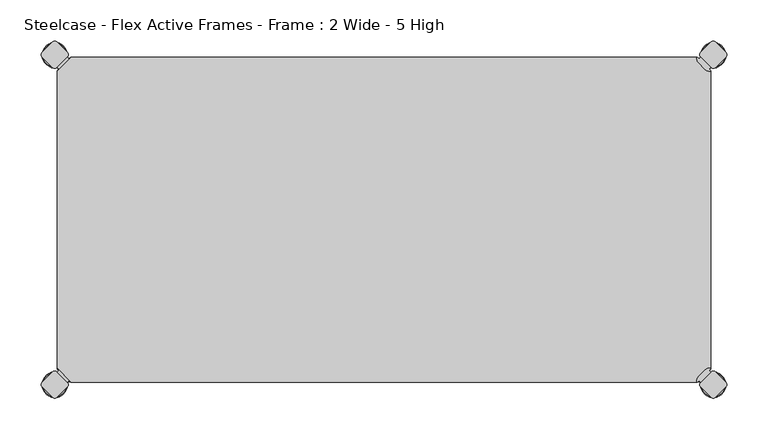
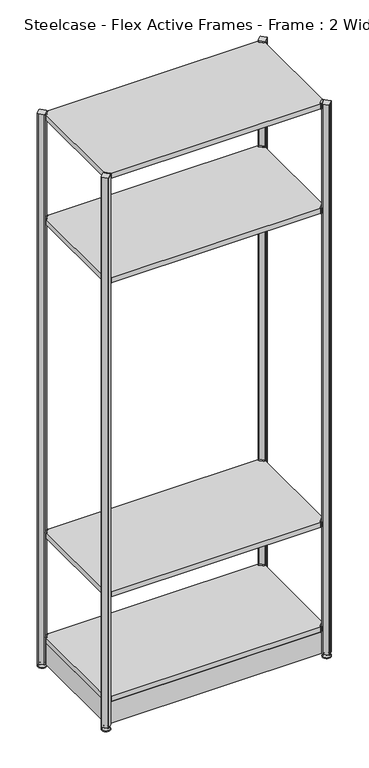
"""IFC4 building model written with IfcOpenShell, lengths in millimetres: furniture geometry, Steelcase - Flex Active Frames - Frame : 2 Wide - 5 High."""

from ifc_helpers import new_model, si_unit, point, frame, frame_2d, origin, place, context, project, spatial, polyline, circle_curve, ellipse_curve, trimmed, segment, composite_curve, outline, extrude, source, transform, mapped, element, save
from ifc_brep_helpers import plane_surface, cylinder_surface, revolved_surface, advanced_brep


def steelcase_flex_active_frames_frame_2_wide_5_high_faed2fa7(model_context):
    return source(origin(), model_context, "Body", "SolidModel", [
        advanced_brep(
        [(795.4995166, -396.9286835, 0.0), (809.4482375, -396.9286835, 0.0), (781.5507958, -396.9286835, 0.0), (810.3951451, -396.9286835, 2.116325), (780.6038882, -396.9286835, 2.116325), (804.2429012, -396.9286835, 8.9997406), (786.7561321, -396.9286835, 8.9997406), (802.9003852, -396.9286835, 8.9997406), (788.0986481, -396.9286835, 8.9997406), (802.9003852, -396.9286835, 12.0919909), (788.0986481, -396.9286835, 12.0919909), (802.3923852, -396.9286835, 12.5999909), (788.6066481, -396.9286835, 12.5999909), (799.518847, -396.9286835, 12.5999909), (791.4801863, -396.9286835, 12.5999909), (799.518847, -396.9286835, 22.7146261), (791.4801863, -396.9286835, 22.7146261), (795.4995166, -396.9286835, 22.7146261)],
        [
            (0, 1),
            (1, 2, circle_curve(frame((795.4995166, -396.9286835, 0.0), z_axis=(0.0, 0.0, -1.0), x_axis=(1.0, 0.0, 0.0)), 13.9487209)),
            (2, 0),
            (2, 1, circle_curve(frame((795.4995166, -396.9286835, 0.0), z_axis=(0.0, 0.0, -1.0), x_axis=(1.0, 0.0, 0.0)), 13.9487209)),
            (1, 3, circle_curve(frame((809.4482375, -396.9286835, 1.27), z_axis=(0.0, -1.0, 0.0), x_axis=(1.0, 0.0, 0.0)), 1.27)),
            (3, 4, circle_curve(frame((795.4995166, -396.9286835, 2.116325), z_axis=(0.0, 0.0, -1.0), x_axis=(1.0, 0.0, 0.0)), 14.8956285)),
            (4, 2, circle_curve(frame((781.5507958, -396.9286835, 1.27), z_axis=(0.0, -1.0, 0.0), x_axis=(-1.0, 0.0, 0.0)), 1.27)),
            (4, 3, circle_curve(frame((795.4995166, -396.9286835, 2.116325), z_axis=(0.0, 0.0, -1.0), x_axis=(1.0, 0.0, 0.0)), 14.8956285)),
            (3, 5),
            (5, 6, circle_curve(frame((795.4995166, -396.9286835, 8.9997406), z_axis=(0.0, 0.0, -1.0), x_axis=(1.0, 0.0, 0.0)), 8.7433846)),
            (6, 4),
            (6, 5, circle_curve(frame((795.4995166, -396.9286835, 8.9997406), z_axis=(0.0, 0.0, -1.0), x_axis=(1.0, 0.0, 0.0)), 8.7433846)),
            (5, 7),
            (7, 8, circle_curve(frame((795.4995166, -396.9286835, 8.9997406), z_axis=(0.0, 0.0, -1.0), x_axis=(1.0, 0.0, 0.0)), 7.4008685)),
            (8, 6),
            (8, 7, circle_curve(frame((795.4995166, -396.9286835, 8.9997406), z_axis=(0.0, 0.0, -1.0), x_axis=(1.0, 0.0, 0.0)), 7.4008685)),
            (7, 9),
            (9, 10, circle_curve(frame((795.4995166, -396.9286835, 12.0919909), z_axis=(0.0, 0.0, -1.0), x_axis=(1.0, 0.0, 0.0)), 7.4008685)),
            (10, 8),
            (10, 9, circle_curve(frame((795.4995166, -396.9286835, 12.0919909), z_axis=(0.0, 0.0, -1.0), x_axis=(1.0, 0.0, 0.0)), 7.4008685)),
            (9, 11, circle_curve(frame((802.3923852, -396.9286835, 12.0919909), z_axis=(0.0, -1.0, 0.0), x_axis=(1.0, 0.0, 0.0)), 0.508)),
            (11, 12, circle_curve(frame((795.4995166, -396.9286835, 12.5999909), z_axis=(0.0, 0.0, -1.0), x_axis=(1.0, 0.0, 0.0)), 6.8928685)),
            (12, 10, circle_curve(frame((788.6066481, -396.9286835, 12.0919909), z_axis=(0.0, -1.0, 0.0), x_axis=(-1.0, 0.0, 0.0)), 0.508)),
            (12, 11, circle_curve(frame((795.4995166, -396.9286835, 12.5999909), z_axis=(0.0, 0.0, -1.0), x_axis=(1.0, 0.0, 0.0)), 6.8928685)),
            (11, 13),
            (13, 14, circle_curve(frame((795.4995166, -396.9286835, 12.5999909), z_axis=(0.0, 0.0, -1.0), x_axis=(1.0, 0.0, 0.0)), 4.0193303)),
            (14, 12),
            (14, 13, circle_curve(frame((795.4995166, -396.9286835, 12.5999909), z_axis=(0.0, 0.0, -1.0), x_axis=(1.0, 0.0, 0.0)), 4.0193303)),
            (13, 15),
            (15, 16, circle_curve(frame((795.4995166, -396.9286835, 22.7146261), z_axis=(0.0, 0.0, -1.0), x_axis=(1.0, 0.0, 0.0)), 4.0193303)),
            (16, 14),
            (16, 15, circle_curve(frame((795.4995166, -396.9286835, 22.7146261), z_axis=(0.0, 0.0, -1.0), x_axis=(1.0, 0.0, 0.0)), 4.0193303)),
            (15, 17),
            (17, 16),
        ],
        [
            plane_surface(frame((795.4995166, -396.9286835, 0.0), z_axis=(0.0, 0.0, -1.0), x_axis=(1.0, 0.0, 0.0))),
            revolved_surface(trimmed(ellipse_curve(frame((809.4482375, -396.9286835, 1.27), z_axis=(0.0, 1.0, 0.0), x_axis=(1.0, 0.0, 0.0)), 1.27, 1.27), [point((810.3951451, -396.9286835, 2.116325))], [point((809.4482375, -396.9286835, 0.0))], True, "CARTESIAN"), (795.4995166, -396.9286835, 32.0514718), (0.0, 0.0, -1.0)),
            revolved_surface(polyline([(804.2429012, -396.9286835, 8.9997406), (810.3951451, -396.9286835, 2.116325)]), (795.4995166, -396.9286835, 32.0514718), (0.0, 0.0, -1.0)),
            plane_surface(frame((795.4995166, -396.9286835, 8.9997406), z_axis=(0.0, 0.0, 1.0), x_axis=(1.0, 0.0, 0.0))),
            cylinder_surface(frame((795.4995166, -396.9286835, 32.0514718), z_axis=(0.0, 0.0, -1.0), x_axis=(1.0, 0.0, 0.0)), 7.4008685),
            revolved_surface(trimmed(ellipse_curve(frame((802.3923852, -396.9286835, 12.0919909), z_axis=(0.0, 1.0, 0.0), x_axis=(1.0, 0.0, 0.0)), 0.508, 0.508), [point((802.3923852, -396.9286835, 12.5999909))], [point((802.9003852, -396.9286835, 12.0919909))], True, "CARTESIAN"), (795.4995166, -396.9286835, 32.0514718), (0.0, 0.0, -1.0)),
            plane_surface(frame((795.4995166, -396.9286835, 12.5999909), z_axis=(0.0, 0.0, 1.0), x_axis=(1.0, 0.0, 0.0))),
            cylinder_surface(frame((795.4995166, -396.9286835, 32.0514718), z_axis=(0.0, 0.0, -1.0), x_axis=(1.0, 0.0, 0.0)), 4.0193303),
            plane_surface(frame((795.4995166, -396.9286835, 22.7146261), z_axis=(0.0, 0.0, 1.0), x_axis=(1.0, 0.0, 0.0))),
        ],
        [
            (0, [[1, 2, 3]]),
            (0, [[-3, 4, -1]]),
            (1, [[-2, 5, 6, 7]]),
            (1, [[-4, -7, 8, -5]]),
            (2, [[-6, 9, 10, 11]]),
            (2, [[-8, -11, 12, -9]]),
            (3, [[-10, 13, 14, 15]]),
            (3, [[-12, -15, 16, -13]]),
            (4, [[-14, 17, 18, 19]]),
            (4, [[-16, -19, 20, -17]]),
            (5, [[-18, 21, 22, 23]]),
            (5, [[-20, -23, 24, -21]]),
            (6, [[-22, 25, 26, 27]]),
            (6, [[-24, -27, 28, -25]]),
            (7, [[-26, 29, 30, 31]]),
            (7, [[-28, -31, 32, -29]]),
            (8, [[-30, 33, 34]]),
            (8, [[-32, -34, -33]]),
        ],
    ),
        advanced_brep(
        [(795.4995166, 2.9246323, 0.0), (781.5507958, 2.9246323, 0.0), (809.4482375, 2.9246323, 0.0), (780.6038882, 2.9246323, 2.116325), (810.3951451, 2.9246323, 2.116325), (786.7561321, 2.9246323, 8.9997406), (804.2429012, 2.9246323, 8.9997406), (788.0986481, 2.9246323, 8.9997406), (802.9003852, 2.9246323, 8.9997406), (788.0986481, 2.9246323, 12.0919909), (802.9003852, 2.9246323, 12.0919909), (788.6066481, 2.9246323, 12.5999909), (802.3923852, 2.9246323, 12.5999909), (791.4801863, 2.9246323, 12.5999909), (799.518847, 2.9246323, 12.5999909), (791.4801863, 2.9246323, 22.7146261), (799.518847, 2.9246323, 22.7146261), (795.4995166, 2.9246323, 22.7146261)],
        [
            (0, 1),
            (1, 2, circle_curve(frame((795.4995166, 2.9246323, 0.0), z_axis=(0.0, 0.0, -1.0), x_axis=(1.0, 0.0, 0.0)), 13.9487209)),
            (2, 0),
            (2, 1, circle_curve(frame((795.4995166, 2.9246323, 0.0), z_axis=(0.0, 0.0, -1.0), x_axis=(1.0, 0.0, 0.0)), 13.9487209)),
            (1, 3, circle_curve(frame((781.5507958, 2.9246323, 1.27), z_axis=(0.0, 1.0, 0.0), x_axis=(-1.0, 0.0, 0.0)), 1.27)),
            (3, 4, circle_curve(frame((795.4995166, 2.9246323, 2.116325), z_axis=(0.0, 0.0, -1.0), x_axis=(1.0, 0.0, 0.0)), 14.8956285)),
            (4, 2, circle_curve(frame((809.4482375, 2.9246323, 1.27), z_axis=(0.0, 1.0, 0.0), x_axis=(1.0, 0.0, 0.0)), 1.27)),
            (4, 3, circle_curve(frame((795.4995166, 2.9246323, 2.116325), z_axis=(0.0, 0.0, -1.0), x_axis=(1.0, 0.0, 0.0)), 14.8956285)),
            (3, 5),
            (5, 6, circle_curve(frame((795.4995166, 2.9246323, 8.9997406), z_axis=(0.0, 0.0, -1.0), x_axis=(1.0, 0.0, 0.0)), 8.7433846)),
            (6, 4),
            (6, 5, circle_curve(frame((795.4995166, 2.9246323, 8.9997406), z_axis=(0.0, 0.0, -1.0), x_axis=(1.0, 0.0, 0.0)), 8.7433846)),
            (5, 7),
            (7, 8, circle_curve(frame((795.4995166, 2.9246323, 8.9997406), z_axis=(0.0, 0.0, -1.0), x_axis=(1.0, 0.0, 0.0)), 7.4008685)),
            (8, 6),
            (8, 7, circle_curve(frame((795.4995166, 2.9246323, 8.9997406), z_axis=(0.0, 0.0, -1.0), x_axis=(1.0, 0.0, 0.0)), 7.4008685)),
            (7, 9),
            (9, 10, circle_curve(frame((795.4995166, 2.9246323, 12.0919909), z_axis=(0.0, 0.0, -1.0), x_axis=(1.0, 0.0, 0.0)), 7.4008685)),
            (10, 8),
            (10, 9, circle_curve(frame((795.4995166, 2.9246323, 12.0919909), z_axis=(0.0, 0.0, -1.0), x_axis=(1.0, 0.0, 0.0)), 7.4008685)),
            (9, 11, circle_curve(frame((788.6066481, 2.9246323, 12.0919909), z_axis=(0.0, 1.0, 0.0), x_axis=(-1.0, 0.0, 0.0)), 0.508)),
            (11, 12, circle_curve(frame((795.4995166, 2.9246323, 12.5999909), z_axis=(0.0, 0.0, -1.0), x_axis=(1.0, 0.0, 0.0)), 6.8928685)),
            (12, 10, circle_curve(frame((802.3923852, 2.9246323, 12.0919909), z_axis=(0.0, 1.0, 0.0), x_axis=(1.0, 0.0, 0.0)), 0.508)),
            (12, 11, circle_curve(frame((795.4995166, 2.9246323, 12.5999909), z_axis=(0.0, 0.0, -1.0), x_axis=(1.0, 0.0, 0.0)), 6.8928685)),
            (11, 13),
            (13, 14, circle_curve(frame((795.4995166, 2.9246323, 12.5999909), z_axis=(0.0, 0.0, -1.0), x_axis=(1.0, 0.0, 0.0)), 4.0193303)),
            (14, 12),
            (14, 13, circle_curve(frame((795.4995166, 2.9246323, 12.5999909), z_axis=(0.0, 0.0, -1.0), x_axis=(1.0, 0.0, 0.0)), 4.0193303)),
            (13, 15),
            (15, 16, circle_curve(frame((795.4995166, 2.9246323, 22.7146261), z_axis=(0.0, 0.0, -1.0), x_axis=(1.0, 0.0, 0.0)), 4.0193303)),
            (16, 14),
            (16, 15, circle_curve(frame((795.4995166, 2.9246323, 22.7146261), z_axis=(0.0, 0.0, -1.0), x_axis=(1.0, 0.0, 0.0)), 4.0193303)),
            (15, 17),
            (17, 16),
        ],
        [
            plane_surface(frame((795.4995166, 2.9246323, 0.0), z_axis=(0.0, 0.0, -1.0), x_axis=(1.0, 0.0, 0.0))),
            revolved_surface(trimmed(ellipse_curve(frame((809.4482375, 2.9246323, 1.27), z_axis=(0.0, 1.0, 0.0), x_axis=(1.0, 0.0, 0.0)), 1.27, 1.27), [point((810.3951451, 2.9246323, 2.116325))], [point((809.4482375, 2.9246323, 0.0))], True, "CARTESIAN"), (795.4995166, 2.9246323, 32.0514718), (0.0, 0.0, -1.0)),
            revolved_surface(polyline([(804.2429012, 2.9246323, 8.9997406), (810.3951451, 2.9246323, 2.116325)]), (795.4995166, 2.9246323, 32.0514718), (0.0, 0.0, -1.0)),
            plane_surface(frame((795.4995166, 2.9246323, 8.9997406), z_axis=(0.0, 0.0, 1.0), x_axis=(1.0, 0.0, 0.0))),
            cylinder_surface(frame((795.4995166, 2.9246323, 32.0514718), z_axis=(0.0, 0.0, -1.0), x_axis=(1.0, 0.0, 0.0)), 7.4008685),
            revolved_surface(trimmed(ellipse_curve(frame((802.3923852, 2.9246323, 12.0919909), z_axis=(0.0, 1.0, 0.0), x_axis=(1.0, 0.0, 0.0)), 0.508, 0.508), [point((802.3923852, 2.9246323, 12.5999909))], [point((802.9003852, 2.9246323, 12.0919909))], True, "CARTESIAN"), (795.4995166, 2.9246323, 32.0514718), (0.0, 0.0, -1.0)),
            plane_surface(frame((795.4995166, 2.9246323, 12.5999909), z_axis=(0.0, 0.0, 1.0), x_axis=(1.0, 0.0, 0.0))),
            cylinder_surface(frame((795.4995166, 2.9246323, 32.0514718), z_axis=(0.0, 0.0, -1.0), x_axis=(1.0, 0.0, 0.0)), 4.0193303),
            plane_surface(frame((795.4995166, 2.9246323, 22.7146261), z_axis=(0.0, 0.0, 1.0), x_axis=(1.0, 0.0, 0.0))),
        ],
        [
            (0, [[1, 2, 3]]),
            (0, [[-3, 4, -1]]),
            (1, [[5, 6, 7, -2]]),
            (1, [[-7, 8, -5, -4]]),
            (2, [[9, 10, 11, -6]]),
            (2, [[-11, 12, -9, -8]]),
            (3, [[13, 14, 15, -10]]),
            (3, [[-15, 16, -13, -12]]),
            (4, [[17, 18, 19, -14]]),
            (4, [[-19, 20, -17, -16]]),
            (5, [[21, 22, 23, -18]]),
            (5, [[-23, 24, -21, -20]]),
            (6, [[25, 26, 27, -22]]),
            (6, [[-27, 28, -25, -24]]),
            (7, [[29, 30, 31, -26]]),
            (7, [[-31, 32, -29, -28]]),
            (8, [[33, 34, -30]]),
            (8, [[-34, -33, -32]]),
        ],
    ),
        advanced_brep(
        [(-3.0195166, -396.8786323, 0.0), (10.9292042, -396.8786323, 0.0), (-16.9682375, -396.8786323, 0.0), (11.8761118, -396.8786323, 2.116325), (-17.9151451, -396.8786323, 2.116325), (5.7238679, -396.8786323, 8.9997406), (-11.7629012, -396.8786323, 8.9997406), (4.3813519, -396.8786323, 8.9997406), (-10.4203852, -396.8786323, 8.9997406), (4.3813519, -396.8786323, 12.0919909), (-10.4203852, -396.8786323, 12.0919909), (3.8733519, -396.8786323, 12.5999909), (-9.9123852, -396.8786323, 12.5999909), (0.9998137, -396.8786323, 12.5999909), (-7.038847, -396.8786323, 12.5999909), (0.9998137, -396.8786323, 22.7146261), (-7.038847, -396.8786323, 22.7146261), (-3.0195166, -396.8786323, 22.7146261)],
        [
            (0, 1),
            (1, 2, circle_curve(frame((-3.0195166, -396.8786323, 0.0), z_axis=(0.0, 0.0, -1.0), x_axis=(-1.0, 0.0, 0.0)), 13.9487209)),
            (2, 0),
            (2, 1, circle_curve(frame((-3.0195166, -396.8786323, 0.0), z_axis=(0.0, 0.0, -1.0), x_axis=(-1.0, 0.0, 0.0)), 13.9487209)),
            (1, 3, circle_curve(frame((10.9292042, -396.8786323, 1.27), z_axis=(0.0, -1.0, 0.0), x_axis=(1.0, 0.0, 0.0)), 1.27)),
            (3, 4, circle_curve(frame((-3.0195166, -396.8786323, 2.116325), z_axis=(0.0, 0.0, -1.0), x_axis=(-1.0, 0.0, 0.0)), 14.8956285)),
            (4, 2, circle_curve(frame((-16.9682375, -396.8786323, 1.27), z_axis=(0.0, -1.0, 0.0), x_axis=(-1.0, 0.0, 0.0)), 1.27)),
            (4, 3, circle_curve(frame((-3.0195166, -396.8786323, 2.116325), z_axis=(0.0, 0.0, -1.0), x_axis=(-1.0, 0.0, 0.0)), 14.8956285)),
            (3, 5),
            (5, 6, circle_curve(frame((-3.0195166, -396.8786323, 8.9997406), z_axis=(0.0, 0.0, -1.0), x_axis=(-1.0, 0.0, 0.0)), 8.7433846)),
            (6, 4),
            (6, 5, circle_curve(frame((-3.0195166, -396.8786323, 8.9997406), z_axis=(0.0, 0.0, -1.0), x_axis=(-1.0, 0.0, 0.0)), 8.7433846)),
            (5, 7),
            (7, 8, circle_curve(frame((-3.0195166, -396.8786323, 8.9997406), z_axis=(0.0, 0.0, -1.0), x_axis=(-1.0, 0.0, 0.0)), 7.4008685)),
            (8, 6),
            (8, 7, circle_curve(frame((-3.0195166, -396.8786323, 8.9997406), z_axis=(0.0, 0.0, -1.0), x_axis=(-1.0, 0.0, 0.0)), 7.4008685)),
            (7, 9),
            (9, 10, circle_curve(frame((-3.0195166, -396.8786323, 12.0919909), z_axis=(0.0, 0.0, -1.0), x_axis=(-1.0, 0.0, 0.0)), 7.4008685)),
            (10, 8),
            (10, 9, circle_curve(frame((-3.0195166, -396.8786323, 12.0919909), z_axis=(0.0, 0.0, -1.0), x_axis=(-1.0, 0.0, 0.0)), 7.4008685)),
            (9, 11, circle_curve(frame((3.8733519, -396.8786323, 12.0919909), z_axis=(0.0, -1.0, 0.0), x_axis=(1.0, 0.0, 0.0)), 0.508)),
            (11, 12, circle_curve(frame((-3.0195166, -396.8786323, 12.5999909), z_axis=(0.0, 0.0, -1.0), x_axis=(-1.0, 0.0, 0.0)), 6.8928685)),
            (12, 10, circle_curve(frame((-9.9123852, -396.8786323, 12.0919909), z_axis=(0.0, -1.0, 0.0), x_axis=(-1.0, 0.0, 0.0)), 0.508)),
            (12, 11, circle_curve(frame((-3.0195166, -396.8786323, 12.5999909), z_axis=(0.0, 0.0, -1.0), x_axis=(-1.0, 0.0, 0.0)), 6.8928685)),
            (11, 13),
            (13, 14, circle_curve(frame((-3.0195166, -396.8786323, 12.5999909), z_axis=(0.0, 0.0, -1.0), x_axis=(-1.0, 0.0, 0.0)), 4.0193303)),
            (14, 12),
            (14, 13, circle_curve(frame((-3.0195166, -396.8786323, 12.5999909), z_axis=(0.0, 0.0, -1.0), x_axis=(-1.0, 0.0, 0.0)), 4.0193303)),
            (13, 15),
            (15, 16, circle_curve(frame((-3.0195166, -396.8786323, 22.7146261), z_axis=(0.0, 0.0, -1.0), x_axis=(-1.0, 0.0, 0.0)), 4.0193303)),
            (16, 14),
            (16, 15, circle_curve(frame((-3.0195166, -396.8786323, 22.7146261), z_axis=(0.0, 0.0, -1.0), x_axis=(-1.0, 0.0, 0.0)), 4.0193303)),
            (15, 17),
            (17, 16),
        ],
        [
            plane_surface(frame((-3.0195166, -396.8786323, 0.0), z_axis=(0.0, 0.0, -1.0), x_axis=(-1.0, 0.0, 0.0))),
            revolved_surface(trimmed(ellipse_curve(frame((-16.9682375, -396.8786323, 1.27), z_axis=(0.0, -1.0, 0.0), x_axis=(-1.0, 0.0, 0.0)), 1.27, 1.27), [point((-17.9151451, -396.8786323, 2.116325))], [point((-16.9682375, -396.8786323, 0.0))], True, "CARTESIAN"), (-3.0195166, -396.8786323, 32.0514718), (0.0, 0.0, -1.0)),
            revolved_surface(polyline([(-11.7629012, -396.8786323, 8.9997406), (-17.9151451, -396.8786323, 2.116325)]), (-3.0195166, -396.8786323, 32.0514718), (0.0, 0.0, -1.0)),
            plane_surface(frame((-3.0195166, -396.8786323, 8.9997406), z_axis=(0.0, 0.0, 1.0), x_axis=(-1.0, 0.0, 0.0))),
            cylinder_surface(frame((-3.0195166, -396.8786323, 32.0514718), z_axis=(0.0, 0.0, -1.0), x_axis=(-1.0, 0.0, 0.0)), 7.4008685),
            revolved_surface(trimmed(ellipse_curve(frame((-9.9123852, -396.8786323, 12.0919909), z_axis=(0.0, -1.0, 0.0), x_axis=(-1.0, 0.0, 0.0)), 0.508, 0.508), [point((-9.9123852, -396.8786323, 12.5999909))], [point((-10.4203852, -396.8786323, 12.0919909))], True, "CARTESIAN"), (-3.0195166, -396.8786323, 32.0514718), (0.0, 0.0, -1.0)),
            plane_surface(frame((-3.0195166, -396.8786323, 12.5999909), z_axis=(0.0, 0.0, 1.0), x_axis=(-1.0, 0.0, 0.0))),
            cylinder_surface(frame((-3.0195166, -396.8786323, 32.0514718), z_axis=(0.0, 0.0, -1.0), x_axis=(-1.0, 0.0, 0.0)), 4.0193303),
            plane_surface(frame((-3.0195166, -396.8786323, 22.7146261), z_axis=(0.0, 0.0, 1.0), x_axis=(-1.0, 0.0, 0.0))),
        ],
        [
            (0, [[1, 2, 3]]),
            (0, [[-3, 4, -1]]),
            (1, [[5, 6, 7, -2]]),
            (1, [[-7, 8, -5, -4]]),
            (2, [[9, 10, 11, -6]]),
            (2, [[-11, 12, -9, -8]]),
            (3, [[13, 14, 15, -10]]),
            (3, [[-15, 16, -13, -12]]),
            (4, [[17, 18, 19, -14]]),
            (4, [[-19, 20, -17, -16]]),
            (5, [[21, 22, 23, -18]]),
            (5, [[-23, 24, -21, -20]]),
            (6, [[25, 26, 27, -22]]),
            (6, [[-27, 28, -25, -24]]),
            (7, [[29, 30, 31, -26]]),
            (7, [[-31, 32, -29, -28]]),
            (8, [[33, 34, -30]]),
            (8, [[-34, -33, -32]]),
        ],
    ),
        advanced_brep(
        [(-3.0195166, 2.9246323, 0.0), (-16.9682375, 2.9246323, 0.0), (10.9292042, 2.9246323, 0.0), (-17.9151451, 2.9246323, 2.116325), (11.8761118, 2.9246323, 2.116325), (-11.7629012, 2.9246323, 8.9997406), (5.7238679, 2.9246323, 8.9997406), (-10.4203852, 2.9246323, 8.9997406), (4.3813519, 2.9246323, 8.9997406), (-10.4203852, 2.9246323, 12.0919909), (4.3813519, 2.9246323, 12.0919909), (-9.9123852, 2.9246323, 12.5999909), (3.8733519, 2.9246323, 12.5999909), (-7.038847, 2.9246323, 12.5999909), (0.9998137, 2.9246323, 12.5999909), (-7.038847, 2.9246323, 22.7146261), (0.9998137, 2.9246323, 22.7146261), (-3.0195166, 2.9246323, 22.7146261)],
        [
            (0, 1),
            (1, 2, circle_curve(frame((-3.0195166, 2.9246323, 0.0), z_axis=(0.0, 0.0, -1.0), x_axis=(-1.0, 0.0, 0.0)), 13.9487209)),
            (2, 0),
            (2, 1, circle_curve(frame((-3.0195166, 2.9246323, 0.0), z_axis=(0.0, 0.0, -1.0), x_axis=(-1.0, 0.0, 0.0)), 13.9487209)),
            (1, 3, circle_curve(frame((-16.9682375, 2.9246323, 1.27), z_axis=(0.0, 1.0, 0.0), x_axis=(-1.0, 0.0, 0.0)), 1.27)),
            (3, 4, circle_curve(frame((-3.0195166, 2.9246323, 2.116325), z_axis=(0.0, 0.0, -1.0), x_axis=(-1.0, 0.0, 0.0)), 14.8956285)),
            (4, 2, circle_curve(frame((10.9292042, 2.9246323, 1.27), z_axis=(0.0, 1.0, 0.0), x_axis=(1.0, 0.0, 0.0)), 1.27)),
            (4, 3, circle_curve(frame((-3.0195166, 2.9246323, 2.116325), z_axis=(0.0, 0.0, -1.0), x_axis=(-1.0, 0.0, 0.0)), 14.8956285)),
            (3, 5),
            (5, 6, circle_curve(frame((-3.0195166, 2.9246323, 8.9997406), z_axis=(0.0, 0.0, -1.0), x_axis=(-1.0, 0.0, 0.0)), 8.7433846)),
            (6, 4),
            (6, 5, circle_curve(frame((-3.0195166, 2.9246323, 8.9997406), z_axis=(0.0, 0.0, -1.0), x_axis=(-1.0, 0.0, 0.0)), 8.7433846)),
            (5, 7),
            (7, 8, circle_curve(frame((-3.0195166, 2.9246323, 8.9997406), z_axis=(0.0, 0.0, -1.0), x_axis=(-1.0, 0.0, 0.0)), 7.4008685)),
            (8, 6),
            (8, 7, circle_curve(frame((-3.0195166, 2.9246323, 8.9997406), z_axis=(0.0, 0.0, -1.0), x_axis=(-1.0, 0.0, 0.0)), 7.4008685)),
            (7, 9),
            (9, 10, circle_curve(frame((-3.0195166, 2.9246323, 12.0919909), z_axis=(0.0, 0.0, -1.0), x_axis=(-1.0, 0.0, 0.0)), 7.4008685)),
            (10, 8),
            (10, 9, circle_curve(frame((-3.0195166, 2.9246323, 12.0919909), z_axis=(0.0, 0.0, -1.0), x_axis=(-1.0, 0.0, 0.0)), 7.4008685)),
            (9, 11, circle_curve(frame((-9.9123852, 2.9246323, 12.0919909), z_axis=(0.0, 1.0, 0.0), x_axis=(-1.0, 0.0, 0.0)), 0.508)),
            (11, 12, circle_curve(frame((-3.0195166, 2.9246323, 12.5999909), z_axis=(0.0, 0.0, -1.0), x_axis=(-1.0, 0.0, 0.0)), 6.8928685)),
            (12, 10, circle_curve(frame((3.8733519, 2.9246323, 12.0919909), z_axis=(0.0, 1.0, 0.0), x_axis=(1.0, 0.0, 0.0)), 0.508)),
            (12, 11, circle_curve(frame((-3.0195166, 2.9246323, 12.5999909), z_axis=(0.0, 0.0, -1.0), x_axis=(-1.0, 0.0, 0.0)), 6.8928685)),
            (11, 13),
            (13, 14, circle_curve(frame((-3.0195166, 2.9246323, 12.5999909), z_axis=(0.0, 0.0, -1.0), x_axis=(-1.0, 0.0, 0.0)), 4.0193303)),
            (14, 12),
            (14, 13, circle_curve(frame((-3.0195166, 2.9246323, 12.5999909), z_axis=(0.0, 0.0, -1.0), x_axis=(-1.0, 0.0, 0.0)), 4.0193303)),
            (13, 15),
            (15, 16, circle_curve(frame((-3.0195166, 2.9246323, 22.7146261), z_axis=(0.0, 0.0, -1.0), x_axis=(-1.0, 0.0, 0.0)), 4.0193303)),
            (16, 14),
            (16, 15, circle_curve(frame((-3.0195166, 2.9246323, 22.7146261), z_axis=(0.0, 0.0, -1.0), x_axis=(-1.0, 0.0, 0.0)), 4.0193303)),
            (15, 17),
            (17, 16),
        ],
        [
            plane_surface(frame((-3.0195166, 2.9246323, 0.0), z_axis=(0.0, 0.0, -1.0), x_axis=(-1.0, 0.0, 0.0))),
            revolved_surface(trimmed(ellipse_curve(frame((-16.9682375, 2.9246323, 1.27), z_axis=(0.0, -1.0, 0.0), x_axis=(-1.0, 0.0, 0.0)), 1.27, 1.27), [point((-17.9151451, 2.9246323, 2.116325))], [point((-16.9682375, 2.9246323, 0.0))], True, "CARTESIAN"), (-3.0195166, 2.9246323, 32.0514718), (0.0, 0.0, -1.0)),
            revolved_surface(polyline([(-11.7629012, 2.9246323, 8.9997406), (-17.9151451, 2.9246323, 2.116325)]), (-3.0195166, 2.9246323, 32.0514718), (0.0, 0.0, -1.0)),
            plane_surface(frame((-3.0195166, 2.9246323, 8.9997406), z_axis=(0.0, 0.0, 1.0), x_axis=(-1.0, 0.0, 0.0))),
            cylinder_surface(frame((-3.0195166, 2.9246323, 32.0514718), z_axis=(0.0, 0.0, -1.0), x_axis=(-1.0, 0.0, 0.0)), 7.4008685),
            revolved_surface(trimmed(ellipse_curve(frame((-9.9123852, 2.9246323, 12.0919909), z_axis=(0.0, -1.0, 0.0), x_axis=(-1.0, 0.0, 0.0)), 0.508, 0.508), [point((-9.9123852, 2.9246323, 12.5999909))], [point((-10.4203852, 2.9246323, 12.0919909))], True, "CARTESIAN"), (-3.0195166, 2.9246323, 32.0514718), (0.0, 0.0, -1.0)),
            plane_surface(frame((-3.0195166, 2.9246323, 12.5999909), z_axis=(0.0, 0.0, 1.0), x_axis=(-1.0, 0.0, 0.0))),
            cylinder_surface(frame((-3.0195166, 2.9246323, 32.0514718), z_axis=(0.0, 0.0, -1.0), x_axis=(-1.0, 0.0, 0.0)), 4.0193303),
            plane_surface(frame((-3.0195166, 2.9246323, 22.7146261), z_axis=(0.0, 0.0, 1.0), x_axis=(-1.0, 0.0, 0.0))),
        ],
        [
            (0, [[1, 2, 3]]),
            (0, [[-3, 4, -1]]),
            (1, [[-2, 5, 6, 7]]),
            (1, [[-4, -7, 8, -5]]),
            (2, [[-6, 9, 10, 11]]),
            (2, [[-8, -11, 12, -9]]),
            (3, [[-10, 13, 14, 15]]),
            (3, [[-12, -15, 16, -13]]),
            (4, [[-14, 17, 18, 19]]),
            (4, [[-16, -19, 20, -17]]),
            (5, [[-18, 21, 22, 23]]),
            (5, [[-20, -23, 24, -21]]),
            (6, [[-22, 25, 26, 27]]),
            (6, [[-24, -27, 28, -25]]),
            (7, [[-26, 29, 30, 31]]),
            (7, [[-28, -31, 32, -29]]),
            (8, [[-30, 33, 34]]),
            (8, [[-32, -34, -33]]),
        ],
    ),
        extrude(outline(composite_curve([segment(polyline([(778.3364357, -1.93874), (780.4244011, 0.1493247), (792.6187028, -12.044977), (790.530772, -14.1329326), (792.5017057, -16.1038431), (792.4895198, -17.203916), (789.7543812, -16.8384277)]), True, "CONTINUOUS"), segment(trimmed(circle_curve(frame_2d((790.5954366, -10.5443729)), 6.35), [point((789.7543812, -16.8384277))], [point((786.1052784, -15.0344708))], False, "CARTESIAN"), True, "CONTINUOUS"), segment(polyline([(786.1052784, -15.0344708), (777.4359854, -6.3650612)]), True, "CONTINUOUS"), segment(trimmed(circle_curve(frame_2d((781.9261436, -1.8749633)), 6.35), [point((777.4359854, -6.3650612))], [point((775.6321123, -2.7161946))], False, "CARTESIAN"), True, "CONTINUOUS"), segment(polyline([(775.6321123, -2.7161946), (775.26654, 0.0189911), (776.3664729, 0.0311996), (778.3364357, -1.93874)]), True, "CONTINUOUS")], self_intersect=False)), frame((0.0, 0.0, 2096.4822075), z_axis=(0.0, 0.0, 1.0), x_axis=(1.0, 0.0, 0.0)), (0.0, 0.0, 1.0), 20.2281258),
        extrude(outline(composite_curve([segment(polyline([(778.3364357, -392.01526), (776.3664729, -393.9851996), (775.26654, -393.9729911), (775.6321123, -391.2378054)]), True, "CONTINUOUS"), segment(trimmed(circle_curve(frame_2d((781.9261436, -392.0790367)), 6.35), [point((775.6321123, -391.2378054))], [point((777.4359854, -387.5889388))], False, "CARTESIAN"), True, "CONTINUOUS"), segment(polyline([(777.4359854, -387.5889388), (786.1052784, -378.9195292)]), True, "CONTINUOUS"), segment(trimmed(circle_curve(frame_2d((790.5954366, -383.4096271)), 6.35), [point((786.1052784, -378.9195292))], [point((789.7543812, -377.1155723))], False, "CARTESIAN"), True, "CONTINUOUS"), segment(polyline([(789.7543812, -377.1155723), (792.4895198, -376.750084), (792.5017057, -377.8501569), (790.530772, -379.8210674), (792.6187028, -381.909023), (780.4244011, -394.1033247), (778.3364357, -392.01526)]), True, "CONTINUOUS")], self_intersect=False)), frame((0.0, 0.0, 2096.4822075), z_axis=(0.0, 0.0, 1.0), x_axis=(1.0, 0.0, 0.0)), (0.0, 0.0, 1.0), 20.2281258),
        extrude(outline(polyline([(0.0003876, -376.7599914), (0.0003876, -17.1940086), (17.1943962, 0.0), (775.2856038, 0.0), (792.4796124, -17.1940086), (792.4796124, -376.7599914), (775.2856038, -393.954), (17.1943962, -393.954), (0.0003876, -376.7599914)])), frame((0.0, 0.0, 2097.4996841), z_axis=(0.0, 0.0, 1.0), x_axis=(1.0, 0.0, 0.0)), (0.0, 0.0, 1.0), 19.0000031),
        extrude(outline(composite_curve([segment(polyline([(14.1435643, -1.93874), (16.1135271, 0.0311996), (17.21346, 0.0189911), (16.8478877, -2.7161946)]), True, "CONTINUOUS"), segment(trimmed(circle_curve(frame_2d((10.5538564, -1.8749633)), 6.35), [point((16.8478877, -2.7161946))], [point((15.0440146, -6.3650612))], False, "CARTESIAN"), True, "CONTINUOUS"), segment(polyline([(15.0440146, -6.3650612), (6.3747216, -15.0344708)]), True, "CONTINUOUS"), segment(trimmed(circle_curve(frame_2d((1.8845634, -10.5443729)), 6.35), [point((6.3747216, -15.0344708))], [point((2.7256188, -16.8384277))], False, "CARTESIAN"), True, "CONTINUOUS"), segment(polyline([(2.7256188, -16.8384277), (-0.0095198, -17.203916), (-0.0217057, -16.1038431), (1.949228, -14.1329326), (-0.1387028, -12.044977), (12.0555989, 0.1493247), (14.1435643, -1.93874)]), True, "CONTINUOUS")], self_intersect=False)), frame((0.0, 0.0, 2096.4822075), z_axis=(0.0, 0.0, 1.0), x_axis=(1.0, 0.0, 0.0)), (0.0, 0.0, 1.0), 20.2281258),
        extrude(outline(composite_curve([segment(polyline([(14.1435643, -392.01526), (12.0555989, -394.1033247), (-0.1387028, -381.909023), (1.949228, -379.8210674), (-0.0217057, -377.8501569), (-0.0095198, -376.750084), (2.7256188, -377.1155723)]), True, "CONTINUOUS"), segment(trimmed(circle_curve(frame_2d((1.8845634, -383.4096271)), 6.35), [point((2.7256188, -377.1155723))], [point((6.3747216, -378.9195292))], False, "CARTESIAN"), True, "CONTINUOUS"), segment(polyline([(6.3747216, -378.9195292), (15.0440146, -387.5889388)]), True, "CONTINUOUS"), segment(trimmed(circle_curve(frame_2d((10.5538564, -392.0790367)), 6.35), [point((15.0440146, -387.5889388))], [point((16.8478877, -391.2378054))], False, "CARTESIAN"), True, "CONTINUOUS"), segment(polyline([(16.8478877, -391.2378054), (17.21346, -393.9729911), (16.1135271, -393.9851996), (14.1435643, -392.01526)]), True, "CONTINUOUS")], self_intersect=False)), frame((0.0, 0.0, 2096.4822075), z_axis=(0.0, 0.0, 1.0), x_axis=(1.0, 0.0, 0.0)), (0.0, 0.0, 1.0), 20.2281258),
        extrude(outline(composite_curve([segment(polyline([(778.3364357, -1.93874), (780.4244011, 0.1493247), (792.6187028, -12.044977), (790.530772, -14.1329326), (792.5017057, -16.1038431), (792.4895198, -17.203916), (789.7543812, -16.8384277)]), True, "CONTINUOUS"), segment(trimmed(circle_curve(frame_2d((790.5954366, -10.5443729)), 6.35), [point((789.7543812, -16.8384277))], [point((786.1052784, -15.0344708))], False, "CARTESIAN"), True, "CONTINUOUS"), segment(polyline([(786.1052784, -15.0344708), (777.4359854, -6.3650612)]), True, "CONTINUOUS"), segment(trimmed(circle_curve(frame_2d((781.9261436, -1.8749633)), 6.35), [point((777.4359854, -6.3650612))], [point((775.6321123, -2.7161946))], False, "CARTESIAN"), True, "CONTINUOUS"), segment(polyline([(775.6321123, -2.7161946), (775.26654, 0.0189911), (776.3664729, 0.0311996), (778.3364357, -1.93874)]), True, "CONTINUOUS")], self_intersect=False)), frame((0.0, 0.0, 1696.4822044), z_axis=(0.0, 0.0, 1.0), x_axis=(1.0, 0.0, 0.0)), (0.0, 0.0, 1.0), 20.2281258),
        extrude(outline(composite_curve([segment(polyline([(778.3364357, -392.01526), (776.3664729, -393.9851996), (775.26654, -393.9729911), (775.6321123, -391.2378054)]), True, "CONTINUOUS"), segment(trimmed(circle_curve(frame_2d((781.9261436, -392.0790367)), 6.35), [point((775.6321123, -391.2378054))], [point((777.4359854, -387.5889388))], False, "CARTESIAN"), True, "CONTINUOUS"), segment(polyline([(777.4359854, -387.5889388), (786.1052784, -378.9195292)]), True, "CONTINUOUS"), segment(trimmed(circle_curve(frame_2d((790.5954366, -383.4096271)), 6.35), [point((786.1052784, -378.9195292))], [point((789.7543812, -377.1155723))], False, "CARTESIAN"), True, "CONTINUOUS"), segment(polyline([(789.7543812, -377.1155723), (792.4895198, -376.750084), (792.5017057, -377.8501569), (790.530772, -379.8210674), (792.6187028, -381.909023), (780.4244011, -394.1033247), (778.3364357, -392.01526)]), True, "CONTINUOUS")], self_intersect=False)), frame((0.0, 0.0, 1696.4822044), z_axis=(0.0, 0.0, 1.0), x_axis=(1.0, 0.0, 0.0)), (0.0, 0.0, 1.0), 20.2281258),
        extrude(outline(polyline([(0.0003876, -376.7599914), (0.0003876, -17.1940086), (17.1943962, 0.0), (775.2856038, 0.0), (792.4796124, -17.1940086), (792.4796124, -376.7599914), (775.2856038, -393.954), (17.1943962, -393.954), (0.0003876, -376.7599914)])), frame((0.0, 0.0, 1697.4996811), z_axis=(0.0, 0.0, 1.0), x_axis=(1.0, 0.0, 0.0)), (0.0, 0.0, 1.0), 19.0000031),
        extrude(outline(composite_curve([segment(polyline([(14.1435643, -1.93874), (16.1135271, 0.0311996), (17.21346, 0.0189911), (16.8478877, -2.7161946)]), True, "CONTINUOUS"), segment(trimmed(circle_curve(frame_2d((10.5538564, -1.8749633)), 6.35), [point((16.8478877, -2.7161946))], [point((15.0440146, -6.3650612))], False, "CARTESIAN"), True, "CONTINUOUS"), segment(polyline([(15.0440146, -6.3650612), (6.3747216, -15.0344708)]), True, "CONTINUOUS"), segment(trimmed(circle_curve(frame_2d((1.8845634, -10.5443729)), 6.35), [point((6.3747216, -15.0344708))], [point((2.7256188, -16.8384277))], False, "CARTESIAN"), True, "CONTINUOUS"), segment(polyline([(2.7256188, -16.8384277), (-0.0095198, -17.203916), (-0.0217057, -16.1038431), (1.949228, -14.1329326), (-0.1387028, -12.044977), (12.0555989, 0.1493247), (14.1435643, -1.93874)]), True, "CONTINUOUS")], self_intersect=False)), frame((0.0, 0.0, 1696.4822044), z_axis=(0.0, 0.0, 1.0), x_axis=(1.0, 0.0, 0.0)), (0.0, 0.0, 1.0), 20.2281258),
        extrude(outline(composite_curve([segment(polyline([(14.1435643, -392.01526), (12.0555989, -394.1033247), (-0.1387028, -381.909023), (1.949228, -379.8210674), (-0.0217057, -377.8501569), (-0.0095198, -376.750084), (2.7256188, -377.1155723)]), True, "CONTINUOUS"), segment(trimmed(circle_curve(frame_2d((1.8845634, -383.4096271)), 6.35), [point((2.7256188, -377.1155723))], [point((6.3747216, -378.9195292))], False, "CARTESIAN"), True, "CONTINUOUS"), segment(polyline([(6.3747216, -378.9195292), (15.0440146, -387.5889388)]), True, "CONTINUOUS"), segment(trimmed(circle_curve(frame_2d((10.5538564, -392.0790367)), 6.35), [point((15.0440146, -387.5889388))], [point((16.8478877, -391.2378054))], False, "CARTESIAN"), True, "CONTINUOUS"), segment(polyline([(16.8478877, -391.2378054), (17.21346, -393.9729911), (16.1135271, -393.9851996), (14.1435643, -392.01526)]), True, "CONTINUOUS")], self_intersect=False)), frame((0.0, 0.0, 1696.4822044), z_axis=(0.0, 0.0, 1.0), x_axis=(1.0, 0.0, 0.0)), (0.0, 0.0, 1.0), 20.2281258),
        extrude(outline(composite_curve([segment(polyline([(778.3364357, -1.93874), (780.4244011, 0.1493247), (792.6187028, -12.044977), (790.530772, -14.1329326), (792.5017057, -16.1038431), (792.4895198, -17.203916), (789.7543812, -16.8384277)]), True, "CONTINUOUS"), segment(trimmed(circle_curve(frame_2d((790.5954366, -10.5443729)), 6.35), [point((789.7543812, -16.8384277))], [point((786.1052784, -15.0344708))], False, "CARTESIAN"), True, "CONTINUOUS"), segment(polyline([(786.1052784, -15.0344708), (777.4359854, -6.3650612)]), True, "CONTINUOUS"), segment(trimmed(circle_curve(frame_2d((781.9261436, -1.8749633)), 6.35), [point((777.4359854, -6.3650612))], [point((775.6321123, -2.7161946))], False, "CARTESIAN"), True, "CONTINUOUS"), segment(polyline([(775.6321123, -2.7161946), (775.26654, 0.0189911), (776.3664729, 0.0311996), (778.3364357, -1.93874)]), True, "CONTINUOUS")], self_intersect=False)), frame((0.0, 0.0, 496.4821468), z_axis=(0.0, 0.0, 1.0), x_axis=(1.0, 0.0, 0.0)), (0.0, 0.0, 1.0), 20.2281258),
        extrude(outline(composite_curve([segment(polyline([(778.3364357, -392.01526), (776.3664729, -393.9851996), (775.26654, -393.9729911), (775.6321123, -391.2378054)]), True, "CONTINUOUS"), segment(trimmed(circle_curve(frame_2d((781.9261436, -392.0790367)), 6.35), [point((775.6321123, -391.2378054))], [point((777.4359854, -387.5889388))], False, "CARTESIAN"), True, "CONTINUOUS"), segment(polyline([(777.4359854, -387.5889388), (786.1052784, -378.9195292)]), True, "CONTINUOUS"), segment(trimmed(circle_curve(frame_2d((790.5954366, -383.4096271)), 6.35), [point((786.1052784, -378.9195292))], [point((789.7543812, -377.1155723))], False, "CARTESIAN"), True, "CONTINUOUS"), segment(polyline([(789.7543812, -377.1155723), (792.4895198, -376.750084), (792.5017057, -377.8501569), (790.530772, -379.8210674), (792.6187028, -381.909023), (780.4244011, -394.1033247), (778.3364357, -392.01526)]), True, "CONTINUOUS")], self_intersect=False)), frame((0.0, 0.0, 496.4821468), z_axis=(0.0, 0.0, 1.0), x_axis=(1.0, 0.0, 0.0)), (0.0, 0.0, 1.0), 20.2281258),
        extrude(outline(composite_curve([segment(polyline([(778.3364357, -1.93874), (780.4244011, 0.1493247), (792.6187028, -12.044977), (790.530772, -14.1329326), (792.5017057, -16.1038431), (792.4895198, -17.203916), (789.7543812, -16.8384277)]), True, "CONTINUOUS"), segment(trimmed(circle_curve(frame_2d((790.5954366, -10.5443729)), 6.35), [point((789.7543812, -16.8384277))], [point((786.1052784, -15.0344708))], False, "CARTESIAN"), True, "CONTINUOUS"), segment(polyline([(786.1052784, -15.0344708), (777.4359854, -6.3650612)]), True, "CONTINUOUS"), segment(trimmed(circle_curve(frame_2d((781.9261436, -1.8749633)), 6.35), [point((777.4359854, -6.3650612))], [point((775.6321123, -2.7161946))], False, "CARTESIAN"), True, "CONTINUOUS"), segment(polyline([(775.6321123, -2.7161946), (775.26654, 0.0189911), (776.3664729, 0.0311996), (778.3364357, -1.93874)]), True, "CONTINUOUS")], self_intersect=False)), frame((0.0, 0.0, 96.4824829), z_axis=(0.0, 0.0, 1.0), x_axis=(1.0, 0.0, 0.0)), (0.0, 0.0, 1.0), 20.2281258),
        extrude(outline(composite_curve([segment(polyline([(778.3364357, -392.01526), (776.3664729, -393.9851996), (775.26654, -393.9729911), (775.6321123, -391.2378054)]), True, "CONTINUOUS"), segment(trimmed(circle_curve(frame_2d((781.9261436, -392.0790367)), 6.35), [point((775.6321123, -391.2378054))], [point((777.4359854, -387.5889388))], False, "CARTESIAN"), True, "CONTINUOUS"), segment(polyline([(777.4359854, -387.5889388), (786.1052784, -378.9195292)]), True, "CONTINUOUS"), segment(trimmed(circle_curve(frame_2d((790.5954366, -383.4096271)), 6.35), [point((786.1052784, -378.9195292))], [point((789.7543812, -377.1155723))], False, "CARTESIAN"), True, "CONTINUOUS"), segment(polyline([(789.7543812, -377.1155723), (792.4895198, -376.750084), (792.5017057, -377.8501569), (790.530772, -379.8210674), (792.6187028, -381.909023), (780.4244011, -394.1033247), (778.3364357, -392.01526)]), True, "CONTINUOUS")], self_intersect=False)), frame((0.0, 0.0, 96.4824829), z_axis=(0.0, 0.0, 1.0), x_axis=(1.0, 0.0, 0.0)), (0.0, 0.0, 1.0), 20.2281258),
        extrude(outline(composite_curve([segment(trimmed(circle_curve(frame_2d((808.8538021, 2.9983545)), 3.048), [point((811.0090767, 5.1536029))], [point((811.0090505, 0.8430799))], False, "CARTESIAN"), True, "CONTINUOUS"), segment(polyline([(811.0090505, 0.8430799), (797.6462856, -12.5195224)]), True, "CONTINUOUS"), segment(trimmed(circle_curve(frame_2d((795.4910373, -10.3642478)), 3.048), [point((797.6462856, -12.5195224))], [point((793.3357649, -12.5194983))], False, "CARTESIAN"), True, "CONTINUOUS"), segment(polyline([(793.3357649, -12.5194983), (779.9732856, 0.8431164)]), True, "CONTINUOUS"), segment(trimmed(circle_curve(frame_2d((782.128558, 2.998367)), 3.048), [point((779.9732856, 0.8431164))], [point((779.9732965, 5.1536284))], False, "CARTESIAN"), True, "CONTINUOUS"), segment(polyline([(779.9732965, 5.1536284), (793.3359936, 18.5163256)]), True, "CONTINUOUS"), segment(trimmed(circle_curve(frame_2d((795.4912551, 16.3610641)), 3.048), [point((793.3359936, 18.5163256))], [point((797.6465297, 18.5163124))], False, "CARTESIAN"), True, "CONTINUOUS"), segment(polyline([(797.6465297, 18.5163124), (811.0090767, 5.1536029)]), True, "CONTINUOUS")], self_intersect=False)), frame((0.0, 0.0, 12.5999909), z_axis=(0.0, 0.0, 1.0), x_axis=(1.0, 0.0, 0.0)), (0.0, 0.0, 1.0), 2103.9820091),
        extrude(outline(composite_curve([segment(polyline([(811.0090767, -399.1076029), (797.6465297, -412.4703124)]), True, "CONTINUOUS"), segment(trimmed(circle_curve(frame_2d((795.4912551, -410.3150641)), 3.048), [point((797.6465297, -412.4703124))], [point((793.3359936, -412.4703256))], False, "CARTESIAN"), True, "CONTINUOUS"), segment(polyline([(793.3359936, -412.4703256), (779.9732965, -399.1076284)]), True, "CONTINUOUS"), segment(trimmed(circle_curve(frame_2d((782.128558, -396.952367)), 3.048), [point((779.9732965, -399.1076284))], [point((779.9732856, -394.7971164))], False, "CARTESIAN"), True, "CONTINUOUS"), segment(polyline([(779.9732856, -394.7971164), (793.3357649, -381.4345017)]), True, "CONTINUOUS"), segment(trimmed(circle_curve(frame_2d((795.4910373, -383.5897522)), 3.048), [point((793.3357649, -381.4345017))], [point((797.6462856, -381.4344776))], False, "CARTESIAN"), True, "CONTINUOUS"), segment(polyline([(797.6462856, -381.4344776), (811.0090505, -394.7970799)]), True, "CONTINUOUS"), segment(trimmed(circle_curve(frame_2d((808.8538021, -396.9523545)), 3.048), [point((811.0090505, -394.7970799))], [point((811.0090767, -399.1076029))], False, "CARTESIAN"), True, "CONTINUOUS")], self_intersect=False)), frame((0.0, 0.0, 12.5999909), z_axis=(0.0, 0.0, 1.0), x_axis=(1.0, 0.0, 0.0)), (0.0, 0.0, 1.0), 2103.9820091),
        extrude(outline(polyline([(0.0003876, -376.7599914), (0.0003876, -17.1940086), (17.1943962, 0.0), (775.2856038, 0.0), (792.4796124, -17.1940086), (792.4796124, -376.7599914), (775.2856038, -393.954), (17.1943962, -393.954), (0.0003876, -376.7599914)])), frame((0.0, 0.0, 97.4999596), z_axis=(0.0, 0.0, 1.0), x_axis=(1.0, 0.0, 0.0)), (0.0, 0.0, 1.0), 19.0000031),
        extrude(outline(composite_curve([segment(polyline([(14.1435643, -1.93874), (16.1135271, 0.0311996), (17.21346, 0.0189911), (16.8478877, -2.7161946)]), True, "CONTINUOUS"), segment(trimmed(circle_curve(frame_2d((10.5538564, -1.8749633)), 6.35), [point((16.8478877, -2.7161946))], [point((15.0440146, -6.3650612))], False, "CARTESIAN"), True, "CONTINUOUS"), segment(polyline([(15.0440146, -6.3650612), (6.3747216, -15.0344708)]), True, "CONTINUOUS"), segment(trimmed(circle_curve(frame_2d((1.8845634, -10.5443729)), 6.35), [point((6.3747216, -15.0344708))], [point((2.7256188, -16.8384277))], False, "CARTESIAN"), True, "CONTINUOUS"), segment(polyline([(2.7256188, -16.8384277), (-0.0095198, -17.203916), (-0.0217057, -16.1038431), (1.949228, -14.1329326), (-0.1387028, -12.044977), (12.0555989, 0.1493247), (14.1435643, -1.93874)]), True, "CONTINUOUS")], self_intersect=False)), frame((0.0, 0.0, 96.4824829), z_axis=(0.0, 0.0, 1.0), x_axis=(1.0, 0.0, 0.0)), (0.0, 0.0, 1.0), 20.2281258),
        extrude(outline(composite_curve([segment(polyline([(14.1435643, -392.01526), (12.0555989, -394.1033247), (-0.1387028, -381.909023), (1.949228, -379.8210674), (-0.0217057, -377.8501569), (-0.0095198, -376.750084), (2.7256188, -377.1155723)]), True, "CONTINUOUS"), segment(trimmed(circle_curve(frame_2d((1.8845634, -383.4096271)), 6.35), [point((2.7256188, -377.1155723))], [point((6.3747216, -378.9195292))], False, "CARTESIAN"), True, "CONTINUOUS"), segment(polyline([(6.3747216, -378.9195292), (15.0440146, -387.5889388)]), True, "CONTINUOUS"), segment(trimmed(circle_curve(frame_2d((10.5538564, -392.0790367)), 6.35), [point((15.0440146, -387.5889388))], [point((16.8478877, -391.2378054))], False, "CARTESIAN"), True, "CONTINUOUS"), segment(polyline([(16.8478877, -391.2378054), (17.21346, -393.9729911), (16.1135271, -393.9851996), (14.1435643, -392.01526)]), True, "CONTINUOUS")], self_intersect=False)), frame((0.0, 0.0, 96.4824829), z_axis=(0.0, 0.0, 1.0), x_axis=(1.0, 0.0, 0.0)), (0.0, 0.0, 1.0), 20.2281258),
        extrude(outline(polyline([(0.0003876, -376.7599914), (0.0003876, -17.1940086), (17.1943962, 0.0), (775.2856038, 0.0), (792.4796124, -17.1940086), (792.4796124, -376.7599914), (775.2856038, -393.954), (17.1943962, -393.954), (0.0003876, -376.7599914)])), frame((0.0, 0.0, 497.4996235), z_axis=(0.0, 0.0, 1.0), x_axis=(1.0, 0.0, 0.0)), (0.0, 0.0, 1.0), 19.0000031),
        extrude(outline(composite_curve([segment(polyline([(14.1435643, -1.93874), (16.1135271, 0.0311996), (17.21346, 0.0189911), (16.8478877, -2.7161946)]), True, "CONTINUOUS"), segment(trimmed(circle_curve(frame_2d((10.5538564, -1.8749633)), 6.35), [point((16.8478877, -2.7161946))], [point((15.0440146, -6.3650612))], False, "CARTESIAN"), True, "CONTINUOUS"), segment(polyline([(15.0440146, -6.3650612), (6.3747216, -15.0344708)]), True, "CONTINUOUS"), segment(trimmed(circle_curve(frame_2d((1.8845634, -10.5443729)), 6.35), [point((6.3747216, -15.0344708))], [point((2.7256188, -16.8384277))], False, "CARTESIAN"), True, "CONTINUOUS"), segment(polyline([(2.7256188, -16.8384277), (-0.0095198, -17.203916), (-0.0217057, -16.1038431), (1.949228, -14.1329326), (-0.1387028, -12.044977), (12.0555989, 0.1493247), (14.1435643, -1.93874)]), True, "CONTINUOUS")], self_intersect=False)), frame((0.0, 0.0, 496.4821468), z_axis=(0.0, 0.0, 1.0), x_axis=(1.0, 0.0, 0.0)), (0.0, 0.0, 1.0), 20.2281258),
        extrude(outline(composite_curve([segment(polyline([(14.1435643, -392.01526), (12.0555989, -394.1033247), (-0.1387028, -381.909023), (1.949228, -379.8210674), (-0.0217057, -377.8501569), (-0.0095198, -376.750084), (2.7256188, -377.1155723)]), True, "CONTINUOUS"), segment(trimmed(circle_curve(frame_2d((1.8845634, -383.4096271)), 6.35), [point((2.7256188, -377.1155723))], [point((6.3747216, -378.9195292))], False, "CARTESIAN"), True, "CONTINUOUS"), segment(polyline([(6.3747216, -378.9195292), (15.0440146, -387.5889388)]), True, "CONTINUOUS"), segment(trimmed(circle_curve(frame_2d((10.5538564, -392.0790367)), 6.35), [point((15.0440146, -387.5889388))], [point((16.8478877, -391.2378054))], False, "CARTESIAN"), True, "CONTINUOUS"), segment(polyline([(16.8478877, -391.2378054), (17.21346, -393.9729911), (16.1135271, -393.9851996), (14.1435643, -392.01526)]), True, "CONTINUOUS")], self_intersect=False)), frame((0.0, 0.0, 496.4821468), z_axis=(0.0, 0.0, 1.0), x_axis=(1.0, 0.0, 0.0)), (0.0, 0.0, 1.0), 20.2281258),
        extrude(outline(composite_curve([segment(polyline([(12.155908, -1.0018273), (780.3465262, -1.0019264)]), True, "CONTINUOUS"), segment(trimmed(circle_curve(frame_2d((780.3240926, -3.5418273)), 2.54), [point((780.3465262, -1.0019264))], [point((782.1201439, -1.7457761))], False, "CARTESIAN"), True, "CONTINUOUS"), segment(polyline([(782.1201439, -1.7457761), (790.7284839, -10.3541161)]), True, "CONTINUOUS"), segment(trimmed(circle_curve(frame_2d((788.9324327, -12.1501673)), 2.54), [point((790.7284839, -10.3541161))], [point((791.4724327, -12.1501687))], False, "CARTESIAN"), True, "CONTINUOUS"), segment(polyline([(791.4724327, -12.1501687), (791.4722349, -381.8355295)]), True, "CONTINUOUS"), segment(trimmed(circle_curve(frame_2d((788.9324327, -381.8038327)), 2.54), [point((791.4722349, -381.8355295))], [point((790.7284839, -383.5998839))], False, "CARTESIAN"), True, "CONTINUOUS"), segment(polyline([(790.7284839, -383.5998839), (782.1201439, -392.2082239)]), True, "CONTINUOUS"), segment(trimmed(circle_curve(frame_2d((780.3240926, -390.4121727)), 2.54), [point((782.1201439, -392.2082239))], [point((780.3465262, -392.9520736))], False, "CARTESIAN"), True, "CONTINUOUS"), segment(polyline([(780.3465262, -392.9520736), (12.155908, -392.9521727)]), True, "CONTINUOUS"), segment(trimmed(circle_curve(frame_2d((12.1559074, -390.4121727)), 2.54), [point((12.155908, -392.9521727))], [point((10.3598561, -392.2082239))], False, "CARTESIAN"), True, "CONTINUOUS"), segment(polyline([(10.3598561, -392.2082239), (1.7515161, -383.5998839)]), True, "CONTINUOUS"), segment(trimmed(circle_curve(frame_2d((3.5475673, -381.8038327)), 2.54), [point((1.7515161, -383.5998839))], [point((1.0077651, -381.8355295))], False, "CARTESIAN"), True, "CONTINUOUS"), segment(polyline([(1.0077651, -381.8355295), (1.0075673, -12.1501687)]), True, "CONTINUOUS"), segment(trimmed(circle_curve(frame_2d((3.5475673, -12.1501673)), 2.54), [point((1.0075673, -12.1501687))], [point((1.7515161, -10.3541161))], False, "CARTESIAN"), True, "CONTINUOUS"), segment(polyline([(1.7515161, -10.3541161), (10.3598561, -1.7457761)]), True, "CONTINUOUS"), segment(trimmed(circle_curve(frame_2d((12.1559074, -3.5418273)), 2.54), [point((10.3598561, -1.7457761))], [point((12.155908, -1.0018273))], False, "CARTESIAN"), True, "CONTINUOUS")], self_intersect=False)), frame((0.0, 0.0, 12.5999909), z_axis=(0.0, 0.0, 1.0), x_axis=(1.0, 0.0, 0.0)), (0.0, 0.0, 1.0), 82.39977),
        extrude(outline(composite_curve([segment(polyline([(-18.5290767, 5.1536029), (-5.1665297, 18.5163124)]), True, "CONTINUOUS"), segment(trimmed(circle_curve(frame_2d((-3.0112551, 16.3610641)), 3.048), [point((-5.1665297, 18.5163124))], [point((-0.8559936, 18.5163256))], False, "CARTESIAN"), True, "CONTINUOUS"), segment(polyline([(-0.8559936, 18.5163256), (12.5067035, 5.1536284)]), True, "CONTINUOUS"), segment(trimmed(circle_curve(frame_2d((10.351442, 2.998367)), 3.048), [point((12.5067035, 5.1536284))], [point((12.5067144, 0.8431164))], False, "CARTESIAN"), True, "CONTINUOUS"), segment(polyline([(12.5067144, 0.8431164), (-0.8557649, -12.5194983)]), True, "CONTINUOUS"), segment(trimmed(circle_curve(frame_2d((-3.0110373, -10.3642478)), 3.048), [point((-0.8557649, -12.5194983))], [point((-5.1662856, -12.5195224))], False, "CARTESIAN"), True, "CONTINUOUS"), segment(polyline([(-5.1662856, -12.5195224), (-18.5290505, 0.8430799)]), True, "CONTINUOUS"), segment(trimmed(circle_curve(frame_2d((-16.3738021, 2.9983545)), 3.048), [point((-18.5290505, 0.8430799))], [point((-18.5290767, 5.1536029))], False, "CARTESIAN"), True, "CONTINUOUS")], self_intersect=False)), frame((0.0, 0.0, 12.5999909), z_axis=(0.0, 0.0, 1.0), x_axis=(1.0, 0.0, 0.0)), (0.0, 0.0, 1.0), 2103.9820091),
        extrude(outline(composite_curve([segment(trimmed(circle_curve(frame_2d((-16.3738021, -396.9523545)), 3.048), [point((-18.5290767, -399.1076029))], [point((-18.5290505, -394.7970799))], False, "CARTESIAN"), True, "CONTINUOUS"), segment(polyline([(-18.5290505, -394.7970799), (-5.1662856, -381.4344776)]), True, "CONTINUOUS"), segment(trimmed(circle_curve(frame_2d((-3.0110373, -383.5897522)), 3.048), [point((-5.1662856, -381.4344776))], [point((-0.8557649, -381.4345017))], False, "CARTESIAN"), True, "CONTINUOUS"), segment(polyline([(-0.8557649, -381.4345017), (12.5067144, -394.7971164)]), True, "CONTINUOUS"), segment(trimmed(circle_curve(frame_2d((10.351442, -396.952367)), 3.048), [point((12.5067144, -394.7971164))], [point((12.5067035, -399.1076284))], False, "CARTESIAN"), True, "CONTINUOUS"), segment(polyline([(12.5067035, -399.1076284), (-0.8559936, -412.4703256)]), True, "CONTINUOUS"), segment(trimmed(circle_curve(frame_2d((-3.0112551, -410.3150641)), 3.048), [point((-0.8559936, -412.4703256))], [point((-5.1665297, -412.4703124))], False, "CARTESIAN"), True, "CONTINUOUS"), segment(polyline([(-5.1665297, -412.4703124), (-18.5290767, -399.1076029)]), True, "CONTINUOUS")], self_intersect=False)), frame((0.0, 0.0, 12.5999909), z_axis=(0.0, 0.0, 1.0), x_axis=(1.0, 0.0, 0.0)), (0.0, 0.0, 1.0), 2103.9820091),
    ])


if __name__ == "__main__":
    model = new_model("IFC4")
    model_context = context("Model", 3, world=origin())
    ifc_project = project(units=[si_unit("LENGTHUNIT", "METRE", prefix="MILLI")], contexts=[model_context])
    site = spatial("IfcSite", under=ifc_project)
    building = spatial("IfcBuilding", under=site)
    placement = place(None, origin())
    steelcase_flex_active_frames_frame_2_wide_5_high_shape = steelcase_flex_active_frames_frame_2_wide_5_high_faed2fa7(model_context)
    element("IfcFurniture", 1, ObjectType="Steelcase - Flex Active Frames - Frame : 2 Wide - 5 High", at=placement, inside=building, context=model_context, shape_type="MappedRepresentation", body=[
        mapped(steelcase_flex_active_frames_frame_2_wide_5_high_shape, transform((0.0, 0.0, 0.0), x_axis=(1.0, 0.0, 0.0), y_axis=(0.0, 1.0, 0.0), z_axis=(0.0, 0.0, 1.0))),
    ])
    save(model, "model.ifc")
